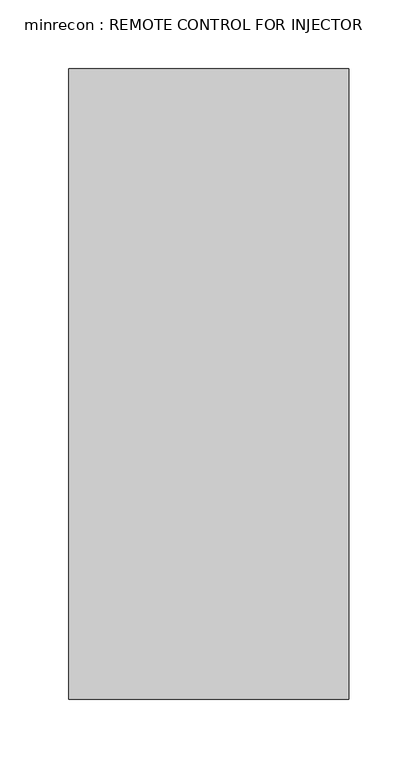
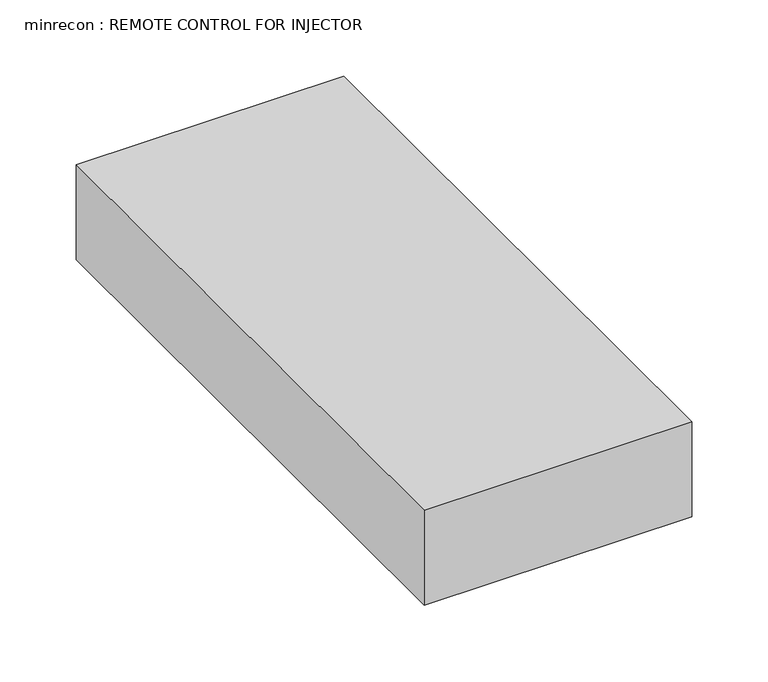
"""IFC4 building model written with IfcOpenShell, lengths in millimetres: proxy geometry, minrecon : REMOTE CONTROL FOR INJECTOR."""

from ifc_helpers import new_model, si_unit, frame, origin, place, context, project, spatial, polyline, outline, extrude, source, transform, mapped, element, save


def minrecon_remote_control_for_injector_f56c3444(model_context):
    return source(origin(), model_context, "Body", "SweptSolid", [
        extrude(outline(polyline([(114.9803622, 274.1829439), (114.9803622, -183.0170561), (-88.2196378, -183.0170561), (-88.2196378, 274.1829439), (114.9803622, 274.1829439)])), frame((0.0, 0.0, 914.4), z_axis=(0.0, 0.0, 1.0), x_axis=(1.0, 0.0, 0.0)), (0.0, 0.0, 1.0), 76.2),
    ])


if __name__ == "__main__":
    model = new_model("IFC4")
    model_context = context("Model", 3, world=origin())
    ifc_project = project(units=[si_unit("LENGTHUNIT", "METRE", prefix="MILLI")], contexts=[model_context])
    site = spatial("IfcSite", under=ifc_project)
    building = spatial("IfcBuilding", under=site)
    placement = place(None, origin())
    minrecon_remote_control_for_injector_shape = minrecon_remote_control_for_injector_f56c3444(model_context)
    element("IfcBuildingElementProxy", 1, Name="minrecon : REMOTE CONTROL FOR INJECTOR", ObjectType="minrecon : REMOTE CONTROL FOR INJECTOR", at=placement, inside=building, context=model_context, shape_type="MappedRepresentation", body=[
        mapped(minrecon_remote_control_for_injector_shape, transform((0.0, 0.0, 0.0), x_axis=(1.0, 0.0, 0.0), y_axis=(0.0, 1.0, 0.0), z_axis=(0.0, 0.0, 1.0))),
    ])
    save(model, "model.ifc")
